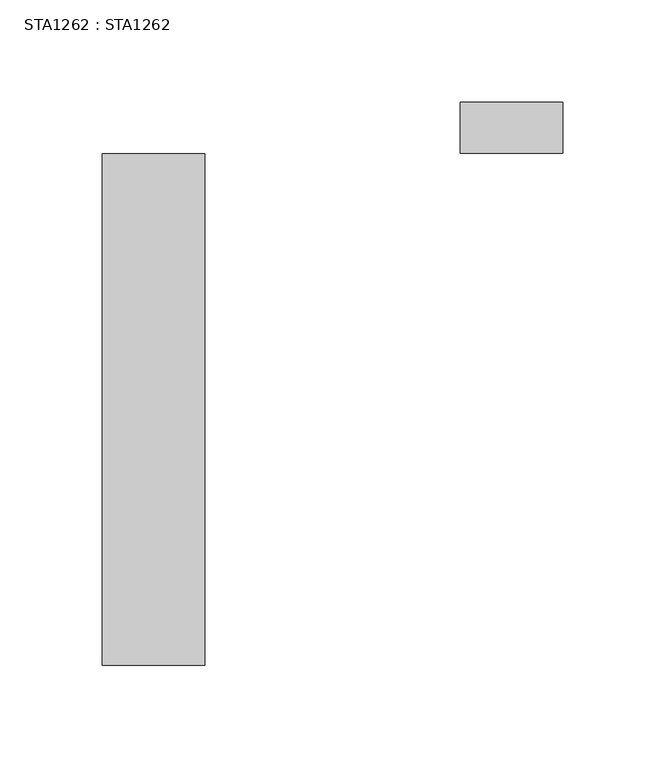
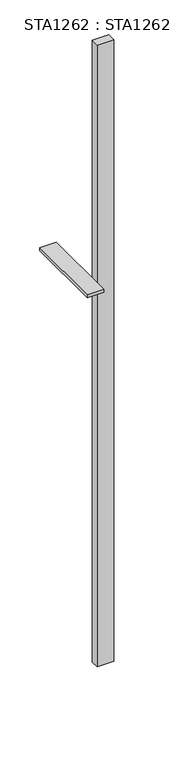
"""IFC4 building model written with IfcOpenShell, lengths in millimetres: proxy geometry, STA1262 : STA1262."""

from ifc_helpers import new_model, si_unit, frame, origin, place, context, project, spatial, polyline, outline, extrude, source, transform, mapped, element, save


def sta1262_sta1262_4f4c601c(model_context):
    return source(origin(), model_context, "Body", "SweptSolid", [
        extrude(outline(polyline([(150.0, -25.0), (150.0, 0.0), (200.0, 0.0), (200.0, -25.0), (150.0, -25.0)])), frame((0.0, 0.0, 100.0), z_axis=(0.0, 0.0, 1.0), x_axis=(1.0, 0.0, 0.0)), (0.0, 0.0, 1.0), 2000.0),
        extrude(outline(polyline([(-25.0, -275.0), (-25.0, -25.0), (25.0, -25.0), (25.0, -275.0), (-25.0, -275.0)])), frame((0.0, 0.0, 1500.0), z_axis=(0.0, 0.0, 1.0), x_axis=(1.0, 0.0, 0.0)), (0.0, 0.0, 1.0), 10.0),
    ])


if __name__ == "__main__":
    model = new_model("IFC4")
    model_context = context("Model", 3, world=origin())
    ifc_project = project(units=[si_unit("LENGTHUNIT", "METRE", prefix="MILLI")], contexts=[model_context])
    site = spatial("IfcSite", under=ifc_project)
    building = spatial("IfcBuilding", under=site)
    placement = place(None, origin())
    sta1262_sta1262_shape = sta1262_sta1262_4f4c601c(model_context)
    element("IfcBuildingElementProxy", 1, Name="STA1262 : STA1262", ObjectType="STA1262 : STA1262", at=placement, inside=building, context=model_context, shape_type="MappedRepresentation", body=[
        mapped(sta1262_sta1262_shape, transform((0.0, 0.0, 0.0), x_axis=(1.0, 0.0, 0.0), y_axis=(0.0, 1.0, 0.0), z_axis=(0.0, 0.0, 1.0))),
    ])
    save(model, "model.ifc")
